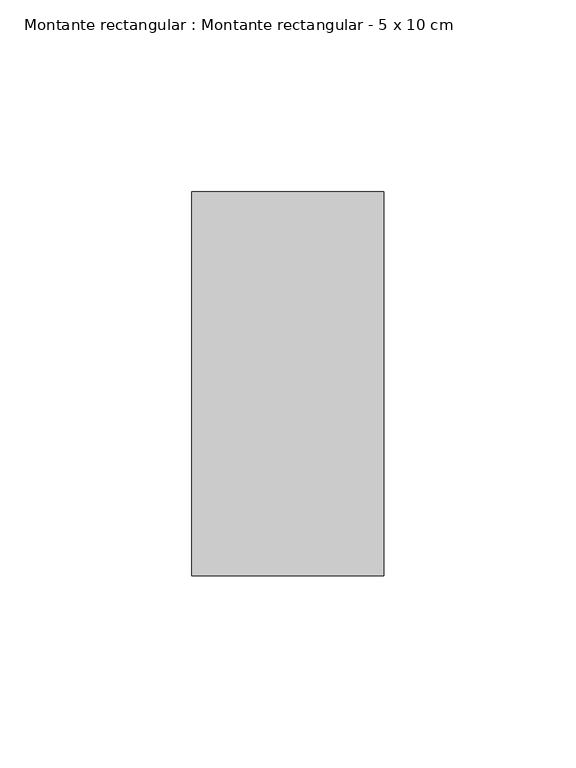
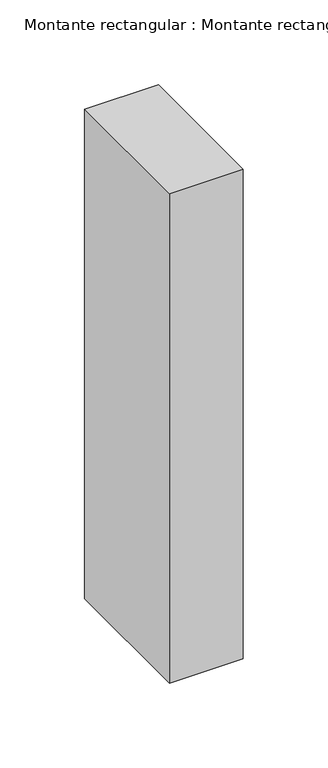
"""IFC4 building model written with IfcOpenShell, lengths in millimetres: member geometry, Montante rectangular : Montante rectangular - 5 x 10 cm."""

from ifc_helpers import new_model, si_unit, frame, origin, place, context, project, spatial, polyline, outline, extrude, source, transform, mapped, element, save


def montante_rectangular_montante_rectangular_5_x_10_cm_f7a4b237(model_context):
    return source(origin(), model_context, "Body", "SweptSolid", [
        extrude(outline(polyline([(0.0, 50.0), (0.0, -50.0), (-50.0, -50.0), (-50.0, 50.0), (0.0, 50.0)])), frame((0.0, 0.0, -351.6666667), z_axis=(0.0, 0.0, 1.0), x_axis=(1.0, 0.0, 0.0)), (0.0, 0.0, 1.0), 351.6666667),
    ])


if __name__ == "__main__":
    model = new_model("IFC4")
    model_context = context("Model", 3, world=origin())
    ifc_project = project(units=[si_unit("LENGTHUNIT", "METRE", prefix="MILLI")], contexts=[model_context])
    site = spatial("IfcSite", under=ifc_project)
    building = spatial("IfcBuilding", under=site)
    placement = place(None, origin())
    montante_rectangular_montante_rectangular_5_x_10_cm_shape = montante_rectangular_montante_rectangular_5_x_10_cm_f7a4b237(model_context)
    element("IfcMember", 1, ObjectType="Montante rectangular : Montante rectangular - 5 x 10 cm", at=placement, inside=building, context=model_context, shape_type="MappedRepresentation", body=[
        mapped(montante_rectangular_montante_rectangular_5_x_10_cm_shape, transform((0.0, 0.0, 0.0), x_axis=(1.0, 0.0, 0.0), y_axis=(0.0, 1.0, 0.0), z_axis=(0.0, 0.0, 1.0))),
    ])
    save(model, "model.ifc")
